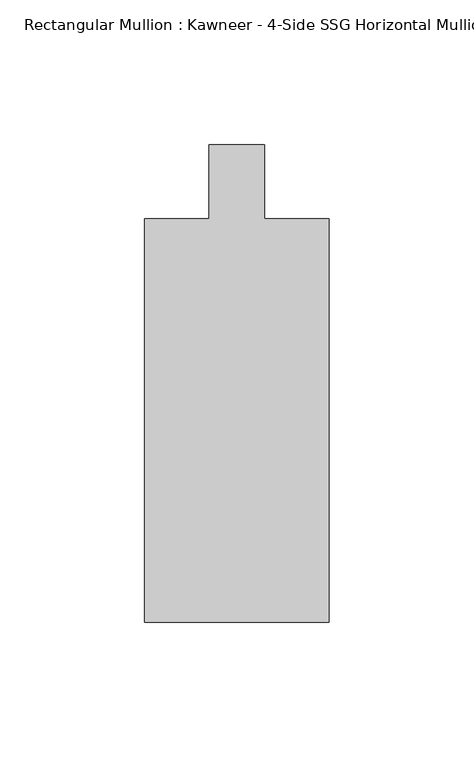
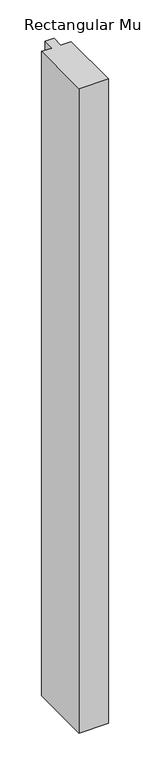
"""IFC4 building model written with IfcOpenShell, lengths in millimetres: member geometry."""

from ifc_helpers import new_model, si_unit, frame, origin, place, context, project, spatial, polyline, outline, extrude, source, transform, mapped, element, save


def member_33fc027e(model_context):
    return source(origin(), model_context, "Body", "SweptSolid", [
        extrude(outline(polyline([(-31.75, -151.892), (-31.75, -12.7), (-9.5251132, -12.7), (-9.5251132, 12.7), (9.5251132, 12.7), (9.5251132, -12.7), (31.75, -12.7), (31.75, -151.892), (-31.75, -151.892)])), frame((0.0, 0.0, -1466.5671389), z_axis=(0.0, 0.0, 1.0), x_axis=(1.0, 0.0, 0.0)), (0.0, 0.0, 1.0), 1466.5671389),
    ])


if __name__ == "__main__":
    model = new_model("IFC4")
    model_context = context("Model", 3, world=origin())
    ifc_project = project(units=[si_unit("LENGTHUNIT", "METRE", prefix="MILLI")], contexts=[model_context])
    site = spatial("IfcSite", under=ifc_project)
    building = spatial("IfcBuilding", under=site)
    placement = place(None, origin())
    member_shape = member_33fc027e(model_context)
    element("IfcMember", 1, ObjectType="Rectangular Mullion : Kawneer - 4-Side SSG Horizontal Mullion - 6 1/2\"", at=placement, inside=building, context=model_context, shape_type="MappedRepresentation", body=[
        mapped(member_shape, transform((0.0, 0.0, 0.0), x_axis=(1.0, 0.0, 0.0), y_axis=(0.0, 1.0, 0.0), z_axis=(0.0, 0.0, 1.0))),
    ])
    save(model, "model.ifc")
